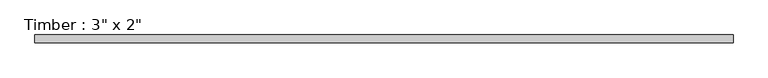
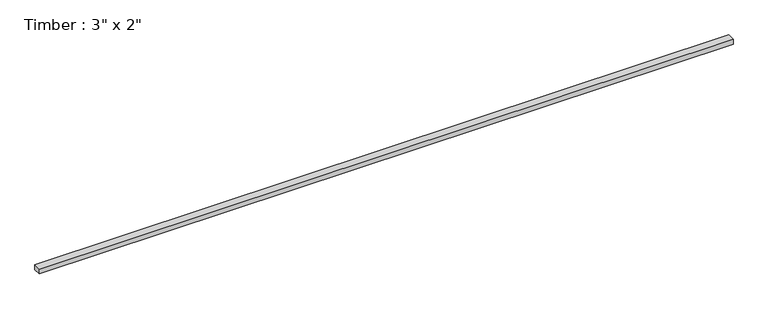
"""IFC4 building model written with IfcOpenShell, lengths in millimetres: beam geometry."""

from ifc_helpers import new_model, si_unit, frame, origin, place, context, project, spatial, polyline, outline, extrude, source, transform, mapped, element, save


def beam_c6c40dd5(model_context):
    return source(origin(), model_context, "Body", "SweptSolid", [
        extrude(outline(polyline([(3398.9715306, -38.1), (-3398.9715306, -38.1), (-3398.9715306, 38.1), (3398.9715306, 38.1), (3398.9715306, -38.1)])), frame((0.0, 0.0, -25.4), z_axis=(0.0, 0.0, 1.0), x_axis=(1.0, 0.0, 0.0)), (0.0, 0.0, 1.0), 50.8),
    ])


if __name__ == "__main__":
    model = new_model("IFC4")
    model_context = context("Model", 3, world=origin())
    ifc_project = project(units=[si_unit("LENGTHUNIT", "METRE", prefix="MILLI")], contexts=[model_context])
    site = spatial("IfcSite", under=ifc_project)
    building = spatial("IfcBuilding", under=site)
    placement = place(None, origin())
    beam_shape = beam_c6c40dd5(model_context)
    element("IfcBeam", 1, ObjectType="Timber : 3\" x 2\"", at=placement, inside=building, context=model_context, shape_type="MappedRepresentation", body=[
        mapped(beam_shape, transform((0.0, 0.0, 0.0), x_axis=(1.0, 0.0, 0.0), y_axis=(0.0, 1.0, 0.0), z_axis=(0.0, 0.0, 1.0))),
    ])
    save(model, "model.ifc")
